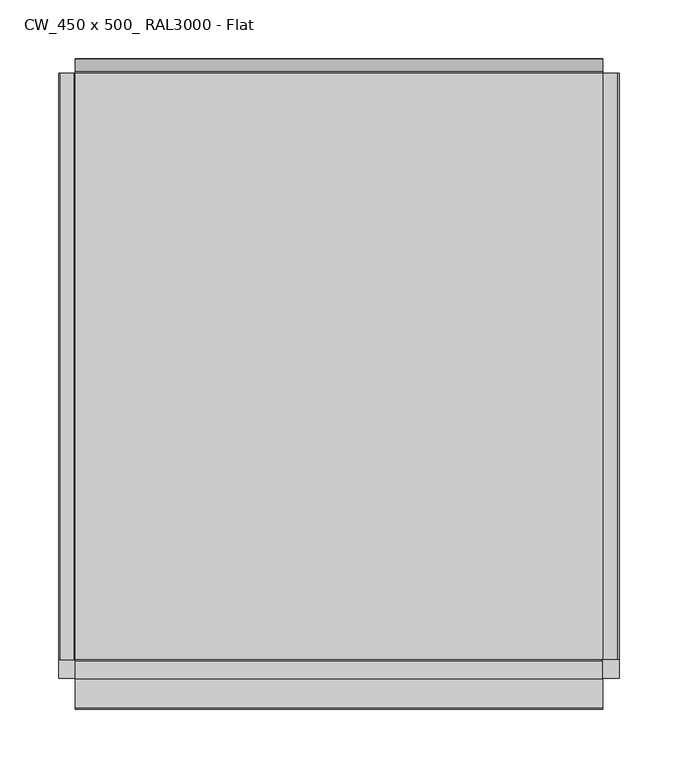
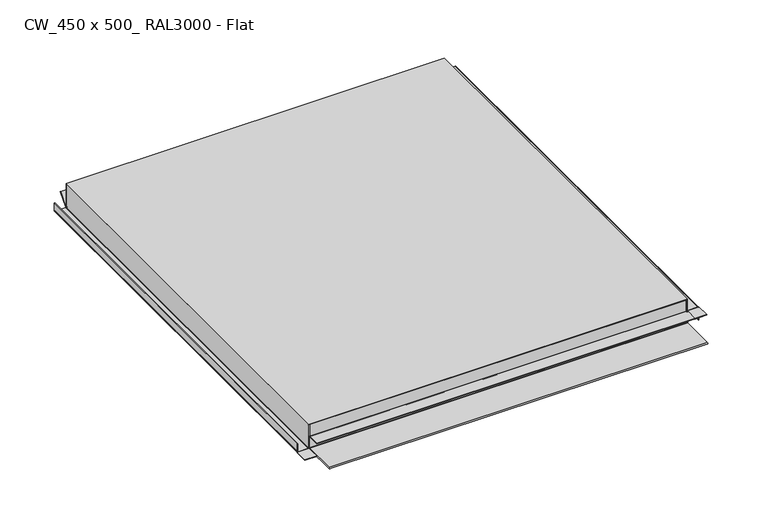
"""IFC4 building model written with IfcOpenShell, lengths in millimetres: proxy geometry, CW_450 x 500_ RAL3000 - Flat."""

from ifc_helpers import new_model, si_unit, frame, origin, origin_with_axes, place, context, project, spatial, polyline, circle_curve, ellipse_curve, outline, extrude, faceted_brep, source, transform, mapped, element, save
from ifc_brep_helpers import plane_surface, cylinder_surface, revolved_surface, advanced_brep


def cw_450_x_500_ral3000_flat_4dbd4297(model_context):
    return source(origin(), model_context, "Body", "SolidModel", [
        advanced_brep(
        [(-239.0, -250.0, 1.3), (-237.7, -250.0, 0.0), (-225.5, -250.0, 0.0), (-224.2, -250.0, 1.3), (-224.2, -250.0, 30.0), (-225.0, -250.0, 30.0), (-225.0, -250.0, 1.3), (-225.5, -250.0, 0.8), (-237.7, -250.0, 0.8), (-238.2, -250.0, 1.3), (-238.2, -250.0, 11.0), (-239.0, -250.0, 11.0), (-225.5, 250.0, 0.0), (-237.7, 250.0, 0.0), (-239.0, 250.0, 1.3), (-239.0, 250.0, 11.0), (-238.2, 250.0, 11.0), (-238.2, 250.0, 1.3), (-237.7, 250.0, 0.8), (-225.5, 250.0, 0.8), (-225.0, 250.0, 1.3), (-225.0, 250.0, 0.1), (-224.2, 249.2, 1.3), (-224.2, 249.2, 30.0), (-225.0, 249.2, 30.0), (-225.0, 249.2, 1.3)],
        [
            (0, 1, circle_curve(frame((-237.7, -250.0, 1.3), z_axis=(0.0, -1.0, 0.0), x_axis=(1.0, 0.0, 0.0)), 1.3)),
            (1, 2),
            (2, 3, circle_curve(frame((-225.5, -250.0, 1.3), z_axis=(0.0, -1.0, 0.0), x_axis=(1.0, 0.0, 0.0)), 1.3)),
            (3, 4),
            (4, 5),
            (5, 6),
            (6, 7, circle_curve(frame((-225.5, -250.0, 1.3), z_axis=(0.0, 1.0, 0.0), x_axis=(1.0, 0.0, 0.0)), 0.5)),
            (7, 8),
            (8, 9, circle_curve(frame((-237.7, -250.0, 1.3), z_axis=(0.0, 1.0, 0.0), x_axis=(1.0, 0.0, 0.0)), 0.5)),
            (9, 10),
            (10, 11),
            (11, 0),
            (12, 13),
            (13, 14, circle_curve(frame((-237.7, 250.0, 1.3), z_axis=(0.0, 1.0, 0.0), x_axis=(1.0, 0.0, 0.0)), 1.3)),
            (14, 15),
            (15, 16),
            (16, 17),
            (17, 18, circle_curve(frame((-237.7, 250.0, 1.3), z_axis=(0.0, -1.0, 0.0), x_axis=(1.0, 0.0, 0.0)), 0.5)),
            (18, 19),
            (19, 20, circle_curve(frame((-225.5, 250.0, 1.3), z_axis=(0.0, -1.0, 0.0), x_axis=(1.0, 0.0, 0.0)), 0.5)),
            (20, 21),
            (21, 12, circle_curve(frame((-225.5, 250.0, 1.3), z_axis=(0.0, 1.0, 0.0), x_axis=(1.0, 0.0, 0.0)), 1.3)),
            (1, 13),
            (12, 2),
            (21, 22, ellipse_curve(frame((-225.5, 250.5, 1.3), z_axis=(-0.7071067811865505, -0.7071067811865446, 0.0), x_axis=(0.7071067811865446, -0.7071067811865505, 0.0)), 1.8384776, 1.3)),
            (22, 3),
            (22, 23),
            (23, 4),
            (5, 24),
            (24, 25),
            (25, 6),
            (25, 20),
            (19, 7),
            (18, 8),
            (17, 9),
            (16, 10),
            (15, 11),
            (14, 0),
            (23, 24),
            (25, 21, circle_curve(frame((-225.0, 250.5, 1.3), z_axis=(1.0, 0.0, 0.0), x_axis=(0.0, 1.0, 0.0)), 1.3)),
            (25, 22),
        ],
        [
            plane_surface(frame((-236.4, -250.0, 1.3), z_axis=(0.0, -1.0, 0.0), x_axis=(0.0, 0.0, -1.0))),
            plane_surface(frame((-236.4, 250.0, 1.3), z_axis=(0.0, 1.0, 0.0), x_axis=(0.0, 0.0, 1.0))),
            plane_surface(frame((-225.5, -250.0, 0.0), z_axis=(0.0, 0.0, -1.0), x_axis=(0.0, 1.0, 0.0))),
            cylinder_surface(frame((-225.5, 250.0, 1.3), z_axis=(0.0, -1.0, 0.0), x_axis=(1.0, 0.0, 0.0)), 1.3),
            plane_surface(frame((-224.2, -250.0, 30.0), z_axis=(1.0, 0.0, 0.0), x_axis=(0.0, 1.0, 0.0))),
            plane_surface(frame((-225.0, -250.0, 1.3), z_axis=(-1.0, 0.0, 0.0), x_axis=(0.0, 1.0, 0.0))),
            revolved_surface(polyline([(-225.0, 250.0, 1.3), (-225.0, -250.0, 1.3)]), (-225.5, 250.0, 1.3), (0.0, 1.0, 0.0)),
            plane_surface(frame((-237.7, -250.0, 0.8), z_axis=(0.0, 0.0, 1.0), x_axis=(0.0, 1.0, 0.0))),
            revolved_surface(polyline([(-237.2, 250.0, 1.3), (-237.2, -250.0, 1.3)]), (-237.7, 250.0, 1.3), (0.0, 1.0, 0.0)),
            plane_surface(frame((-238.2, -250.0, 11.0), z_axis=(1.0, 0.0, 0.0), x_axis=(0.0, 1.0, 0.0))),
            plane_surface(frame((-239.0, -250.0, 11.0), z_axis=(0.0, 0.0, 1.0), x_axis=(0.0, 1.0, 0.0))),
            plane_surface(frame((-239.0, -250.0, 1.3), z_axis=(-1.0, 0.0, 0.0), x_axis=(0.0, 1.0, 0.0))),
            cylinder_surface(frame((-237.7, 250.0, 1.3), z_axis=(0.0, -1.0, 0.0), x_axis=(1.0, 0.0, 0.0)), 1.3),
            plane_surface(frame((-225.0, -250.0, 30.0), z_axis=(0.0, 0.0, 1.0), x_axis=(0.0, 1.0, 0.0))),
            plane_surface(frame((-225.0, 251.0, 1.3), z_axis=(1.0, 0.0, 0.0), x_axis=(0.0, 0.0, 1.0))),
            revolved_surface(polyline([(-226.79999997801957, 251.8, 1.3), (-224.2, 251.8, 1.3)]), (225.0, 250.5, 1.3), (-1.0, 0.0, 0.0)),
            plane_surface(frame((-225.0, 249.2, 1.3), z_axis=(0.0, 1.0, 0.0), x_axis=(1.0, 0.0, 0.0))),
        ],
        [
            (0, [[1, 2, 3, 4, 5, 6, 7, 8, 9, 10, 11, 12]]),
            (1, [[13, 14, 15, 16, 17, 18, 19, 20, 21, 22]]),
            (2, [[-2, 23, -13, 24]]),
            (3, [[-3, -24, -22, 25, 26]]),
            (4, [[-4, -26, 27, 28]]),
            (5, [[-6, 29, 30, 31]]),
            (6, [[-7, -31, 32, -20, 33]]),
            (7, [[-8, -33, -19, 34]]),
            (8, [[-9, -34, -18, 35]]),
            (9, [[-10, -35, -17, 36]]),
            (10, [[-11, -36, -16, 37]]),
            (11, [[-12, -37, -15, 38]]),
            (12, [[-1, -38, -14, -23]]),
            (13, [[-5, -28, 39, -29]]),
            (14, [[40, -21, -32]]),
            (15, [[-40, 41, -25]]),
            (16, [[-41, -30, -39, -27]]),
        ],
    ),
        extrude(outline(polyline([(-239.0, -266.0), (-239.0, -250.0), (-224.2, -250.0), (-224.2, -266.0), (-239.0, -266.0)])), origin_with_axes(), (0.0, 0.0, 1.0), 0.8),
        advanced_brep(
        [(225.5, -250.0, 15.56875), (237.7, -250.0, 15.56875), (238.2, -250.0, 15.06875), (238.2, -250.0, 0.0), (239.0, -250.0, 0.0), (239.0, -250.0, 15.06875), (237.7, -250.0, 16.36875), (225.5, -250.0, 16.36875), (225.0, -250.0, 16.86875), (225.0, -250.0, 15.66875), (225.0, 250.0, 16.86875), (225.5, 250.0, 16.36875), (237.7, 250.0, 16.36875), (239.0, 250.0, 15.06875), (239.0, 250.0, 0.0), (238.2, 250.0, 0.0), (238.2, 250.0, 15.06875), (237.7, 250.0, 15.56875), (225.5, 250.0, 15.56875), (225.0, 250.0, 15.66875), (224.2, 249.2, 30.0), (224.2, 249.2, 16.86875), (224.2, -249.2, 16.86875), (224.2, -249.2, 30.0), (225.0, -249.2, 15.66875), (225.0, 249.2, 15.66875), (225.0, 249.2, 16.86875), (225.0, -249.2, 16.86875), (225.0, 249.2, 30.0), (225.0, -249.2, 30.0)],
        [
            (0, 1),
            (1, 2, circle_curve(frame((237.7, -250.0, 15.06875), z_axis=(0.0, 1.0, 0.0), x_axis=(-1.0, 0.0, 0.0)), 0.5)),
            (2, 3),
            (3, 4),
            (4, 5),
            (5, 6, circle_curve(frame((237.7, -250.0, 15.06875), z_axis=(0.0, -1.0, 0.0), x_axis=(-1.0, 0.0, 0.0)), 1.3)),
            (6, 7),
            (7, 8, circle_curve(frame((225.5, -250.0, 16.86875), z_axis=(0.0, 1.0, 0.0), x_axis=(-1.0, 0.0, 0.0)), 0.5)),
            (8, 9),
            (9, 0, circle_curve(frame((225.5, -250.0, 16.86875), z_axis=(0.0, -1.0, 0.0), x_axis=(-1.0, 0.0, 0.0)), 1.3)),
            (10, 11, circle_curve(frame((225.5, 250.0, 16.86875), z_axis=(0.0, -1.0, 0.0), x_axis=(-1.0, 0.0, 0.0)), 0.5)),
            (11, 12),
            (12, 13, circle_curve(frame((237.7, 250.0, 15.06875), z_axis=(0.0, 1.0, 0.0), x_axis=(-1.0, 0.0, 0.0)), 1.3)),
            (13, 14),
            (14, 15),
            (15, 16),
            (16, 17, circle_curve(frame((237.7, 250.0, 15.06875), z_axis=(0.0, -1.0, 0.0), x_axis=(-1.0, 0.0, 0.0)), 0.5)),
            (17, 18),
            (18, 19, circle_curve(frame((225.5, 250.0, 16.86875), z_axis=(0.0, 1.0, 0.0), x_axis=(-1.0, 0.0, 0.0)), 1.3)),
            (19, 10),
            (20, 21),
            (21, 22),
            (22, 23),
            (23, 20),
            (18, 0),
            (9, 24),
            (24, 22, circle_curve(frame((225.5, -249.2, 16.86875), z_axis=(0.0, 1.0, 0.0), x_axis=(-1.0, 0.0, 0.0)), 1.3)),
            (21, 25, circle_curve(frame((225.5, 249.2, 16.86875), z_axis=(0.0, -1.0, 0.0), x_axis=(-1.0, 0.0, 0.0)), 1.3)),
            (25, 19),
            (17, 1),
            (16, 2),
            (15, 3),
            (14, 4),
            (13, 5),
            (12, 6),
            (11, 7),
            (10, 26),
            (26, 27),
            (27, 8),
            (26, 28),
            (28, 29),
            (29, 27),
            (28, 20),
            (23, 29),
            (25, 26),
            (27, 24),
        ],
        [
            plane_surface(frame((224.2, -250.0, 16.86875), z_axis=(0.0, -1.0, 0.0), x_axis=(0.0, 0.0, 1.0))),
            plane_surface(frame((224.2, 250.0, 16.86875), z_axis=(0.0, 1.0, 0.0), x_axis=(0.0, 0.0, -1.0))),
            plane_surface(frame((224.2, -250.0, 16.86875), z_axis=(-1.0, 0.0, 0.0), x_axis=(0.0, 1.0, 0.0))),
            cylinder_surface(frame((225.5, 250.0, 16.86875), z_axis=(0.0, -1.0, 0.0), x_axis=(-1.0, 0.0, 0.0)), 1.3),
            plane_surface(frame((237.7, -250.0, 15.56875), z_axis=(0.0, 0.0, -1.0), x_axis=(0.0, 1.0, 0.0))),
            revolved_surface(polyline([(237.2, 250.0, 15.06875), (237.2, -250.0, 15.06875)]), (237.7, 250.0, 15.06875), (0.0, 1.0, 0.0)),
            plane_surface(frame((238.2, -250.0, 0.0), z_axis=(-1.0, 0.0, 0.0), x_axis=(0.0, 1.0, 0.0))),
            plane_surface(frame((239.0, -250.0, 0.0), z_axis=(0.0, 0.0, -1.0), x_axis=(0.0, 1.0, 0.0))),
            plane_surface(frame((239.0, -250.0, 15.06875), z_axis=(1.0, 0.0, 0.0), x_axis=(0.0, 1.0, 0.0))),
            cylinder_surface(frame((237.7, 250.0, 15.06875), z_axis=(0.0, -1.0, 0.0), x_axis=(-1.0, 0.0, 0.0)), 1.3),
            plane_surface(frame((225.5, -250.0, 16.36875), z_axis=(0.0, 0.0, 1.0), x_axis=(0.0, 1.0, 0.0))),
            revolved_surface(polyline([(225.0, 250.0, 16.86875), (225.0, -250.0, 16.86875)]), (225.5, 250.0, 16.86875), (0.0, 1.0, 0.0)),
            plane_surface(frame((225.0, -250.0, 30.0), z_axis=(1.0, 0.0, 0.0), x_axis=(0.0, 1.0, 0.0))),
            plane_surface(frame((224.2, -250.0, 30.0), z_axis=(0.0, 0.0, 1.0), x_axis=(0.0, 1.0, 0.0))),
            plane_surface(frame((225.0, 251.0, 1.3), z_axis=(-1.0, 0.0, 0.0), x_axis=(0.0, 0.0, -1.0))),
            plane_surface(frame((-225.0, 249.2, 1.3), z_axis=(0.0, 1.0, 0.0), x_axis=(1.0, 0.0, 0.0))),
            plane_surface(frame((225.0, -250.5, 0.0), z_axis=(-1.0, 0.0, 0.0), x_axis=(0.0, 1.0, 0.0))),
            plane_surface(frame((-225.0, -249.2, 30.0), z_axis=(0.0, -1.0, 0.0), x_axis=(1.0, 0.0, 0.0))),
        ],
        [
            (0, [[1, 2, 3, 4, 5, 6, 7, 8, 9, 10]]),
            (1, [[11, 12, 13, 14, 15, 16, 17, 18, 19, 20]]),
            (2, [[21, 22, 23, 24]]),
            (3, [[25, -10, 26, 27, -22, 28, 29, -19]]),
            (4, [[-1, -25, -18, 30]]),
            (5, [[-2, -30, -17, 31]]),
            (6, [[-3, -31, -16, 32]]),
            (7, [[-4, -32, -15, 33]]),
            (8, [[-5, -33, -14, 34]]),
            (9, [[-6, -34, -13, 35]]),
            (10, [[-7, -35, -12, 36]]),
            (11, [[-8, -36, -11, 37, 38, 39]]),
            (12, [[40, 41, 42, -38]]),
            (13, [[43, -24, 44, -41]]),
            (14, [[45, -37, -20, -29]]),
            (15, [[-45, -28, -21, -43, -40]]),
            (16, [[46, -26, -9, -39]]),
            (17, [[-46, -42, -44, -23, -27]]),
        ],
    ),
        advanced_brep(
        [(225.0, -251.0793372, 15.56875), (225.0, -251.55, 15.9), (225.0, -266.0, 15.9), (225.0, -266.0, 16.36875), (225.0, -250.6830955, 16.36875), (225.0, -250.2609991, 15.56875), (239.0, -266.0, 15.56875), (239.0, -266.0, 16.36875), (224.2, -266.0, 15.9), (224.2, -266.0, 15.56875), (224.2, -250.0, 15.56875), (224.2, -250.0, 16.36875), (225.0, -250.0, 16.36875), (239.0, -250.0, 16.36875), (239.0, -250.0, 15.56875), (225.0, -250.0, 15.56875), (224.2, -250.6830955, 16.36875), (224.2, -251.0793372, 15.56875), (224.2, -250.2609991, 15.56875), (224.2, -251.55, 15.9)],
        [
            (0, 1, circle_curve(frame((225.0, -251.55, 15.4), z_axis=(1.0, 0.0, 0.0), x_axis=(0.0, 1.0, 0.0)), 0.5)),
            (1, 2),
            (2, 3),
            (3, 4),
            (4, 5, circle_curve(frame((225.0, -251.55, 15.4), z_axis=(-1.0, 0.0, 0.0), x_axis=(0.0, 1.0, 0.0)), 1.3)),
            (5, 0),
            (6, 7),
            (7, 3),
            (2, 8),
            (8, 9),
            (9, 6),
            (10, 11),
            (11, 12),
            (12, 13),
            (13, 14),
            (14, 15),
            (15, 10),
            (7, 13),
            (11, 16),
            (16, 4),
            (9, 17),
            (17, 0),
            (5, 18),
            (18, 10),
            (14, 6),
            (8, 19),
            (19, 17, circle_curve(frame((224.2, -251.55, 15.4), z_axis=(-1.0, 0.0, 0.0), x_axis=(0.0, 1.0, 0.0)), 0.5)),
            (19, 1),
            (16, 18, circle_curve(frame((224.2, -251.55, 15.4), z_axis=(-1.0, 0.0, 0.0), x_axis=(0.0, 1.0, 0.0)), 1.3)),
        ],
        [
            plane_surface(frame((225.0, -250.5, 0.0), z_axis=(-1.0, 0.0, 0.0), x_axis=(0.0, 1.0, 0.0))),
            plane_surface(frame((224.2, -266.0, 15.56875), z_axis=(0.0, -1.0, 0.0), x_axis=(-1.0, 0.0, 0.0))),
            plane_surface(frame((224.2, -250.0, 15.56875), z_axis=(0.0, 1.0, 0.0), x_axis=(1.0, 0.0, 0.0))),
            plane_surface(frame((224.2, -266.0, 16.36875), z_axis=(0.0, 0.0, 1.0), x_axis=(0.0, 1.0, 0.0))),
            plane_surface(frame((239.0, -266.0, 15.56875), z_axis=(0.0, 0.0, -1.0), x_axis=(0.0, 1.0, 0.0))),
            plane_surface(frame((224.2, -266.0, 15.56875), z_axis=(-1.0, 0.0, -1.0019693408305913e-12), x_axis=(0.0, 1.0, 0.0))),
            plane_surface(frame((239.0, -266.0, 16.36875), z_axis=(1.0, 0.0, 0.0), x_axis=(0.0, 1.0, 0.0))),
            cylinder_surface(frame((225.0, -251.55, 15.4), z_axis=(1.0, 0.0, 0.0), x_axis=(0.0, 1.0, 0.0)), 0.5),
            plane_surface(frame((-225.0, -251.55, 15.9), z_axis=(0.0, 0.0, 1.0), x_axis=(1.0, 0.0, 0.0))),
            revolved_surface(polyline([(224.2, -250.25, 15.4), (225.0, -250.25, 15.4)]), (225.0, -251.55, 15.4), (-1.0, 0.0, 0.0)),
        ],
        [
            (0, [[1, 2, 3, 4, 5, 6]]),
            (1, [[7, 8, -3, 9, 10, 11]]),
            (2, [[12, 13, 14, 15, 16, 17]]),
            (3, [[18, -14, -13, 19, 20, -4, -8]]),
            (4, [[-11, 21, 22, -6, 23, 24, -17, -16, 25]]),
            (5, [[-10, 26, 27, -21]]),
            (6, [[-7, -25, -15, -18]]),
            (7, [[-1, -22, -27, 28]]),
            (8, [[-2, -28, -26, -9]]),
            (9, [[-5, -20, 29, -23]]),
            (5, [[-12, -24, -29, -19]]),
        ],
    ),
        advanced_brep(
        [(-225.0, -250.5, 0.0), (-225.0, -291.65, 0.0), (-225.0, -291.65, 1.7), (-225.0, -251.55, 1.7), (-225.0, -251.05, 2.2), (-225.0, -251.05, 15.4), (-225.0, -251.55, 15.9), (-225.0, -266.25, 15.9), (-225.0, -266.25, 16.7), (-225.0, -251.55, 16.7), (-225.0, -250.25, 15.4), (-225.0, -250.25, 2.2), (-225.0, -251.55, 0.9), (-225.0, -291.65, 0.9), (-225.0, -250.5, 0.8), (-225.0, -250.0, 1.3), (-225.0, -250.0, 30.0), (-225.0, -249.2, 30.0), (-225.0, -249.2, 1.3), (225.0, -250.5, 0.0), (225.0, -249.2, 1.3), (225.0, -249.2, 15.66875), (225.0, -249.2, 16.86875), (225.0, -249.2, 30.0), (225.0, -250.0, 30.0), (225.0, -250.0, 16.86875), (225.0, -250.0, 15.66875), (225.0, -250.0, 1.3), (225.0, -250.5, 0.8), (225.0, -291.65, 0.9), (225.0, -251.55, 0.9), (225.0, -250.25, 2.2), (225.0, -250.25, 15.4), (225.0, -250.2613292, 15.5701671), (225.0, -250.682858, 16.3684525), (225.0, -251.55, 16.7), (225.0, -266.25, 16.7), (225.0, -266.25, 15.9), (225.0, -266.0, 15.9), (225.0, -251.55, 15.9), (225.0, -251.0793351, 15.5686233), (225.0, -251.05, 15.4), (225.0, -251.05, 2.2), (225.0, -251.55, 1.7), (225.0, -291.65, 1.7), (225.0, -291.65, 0.0), (224.2, -249.2, 30.0)],
        [
            (0, 1),
            (1, 2, circle_curve(frame((-225.0, -291.65, 0.85), z_axis=(-1.0, 0.0, 0.0), x_axis=(0.0, 1.0, 0.0)), 0.85)),
            (2, 3),
            (3, 4, circle_curve(frame((-225.0, -251.55, 2.2), z_axis=(1.0, 0.0, 0.0), x_axis=(0.0, 1.0, 0.0)), 0.5)),
            (4, 5),
            (5, 6, circle_curve(frame((-225.0, -251.55, 15.4), z_axis=(1.0, 0.0, 0.0), x_axis=(0.0, 1.0, 0.0)), 0.5)),
            (6, 7),
            (7, 8),
            (8, 9),
            (9, 10, circle_curve(frame((-225.0, -251.55, 15.4), z_axis=(-1.0, 0.0, 0.0), x_axis=(0.0, 1.0, 0.0)), 1.3)),
            (10, 11),
            (11, 12, circle_curve(frame((-225.0, -251.55, 2.2), z_axis=(-1.0, 0.0, 0.0), x_axis=(0.0, 1.0, 0.0)), 1.3)),
            (12, 13),
            (13, 14),
            (14, 15, circle_curve(frame((-225.0, -250.5, 1.3), z_axis=(1.0, 0.0, 0.0), x_axis=(0.0, 1.0, 0.0)), 0.5)),
            (15, 16),
            (16, 17),
            (17, 18),
            (18, 0, circle_curve(frame((-225.0, -250.5, 1.3), z_axis=(-1.0, 0.0, 0.0), x_axis=(0.0, 1.0, 0.0)), 1.3)),
            (19, 20, circle_curve(frame((225.0, -250.5, 1.3), z_axis=(1.0, 0.0, 0.0), x_axis=(0.0, 1.0, 0.0)), 1.3)),
            (20, 21),
            (21, 22),
            (22, 23),
            (23, 24),
            (24, 25),
            (25, 26),
            (26, 27),
            (27, 28, circle_curve(frame((225.0, -250.5, 1.3), z_axis=(-1.0, 0.0, 0.0), x_axis=(0.0, 1.0, 0.0)), 0.5)),
            (28, 29),
            (29, 30),
            (30, 31, circle_curve(frame((225.0, -251.55, 2.2), z_axis=(1.0, 0.0, 0.0), x_axis=(0.0, 1.0, 0.0)), 1.3)),
            (31, 32),
            (32, 33, circle_curve(frame((225.0, -251.55, 15.4), z_axis=(1.0, 0.0, 0.0), x_axis=(0.0, 1.0, 0.0)), 1.3)),
            (33, 34, circle_curve(frame((225.0, -251.55, 15.4), z_axis=(1.0, 0.0, 0.0), x_axis=(0.0, 1.0, 0.0)), 1.2998574)),
            (34, 35, circle_curve(frame((225.0, -251.55, 15.4), z_axis=(1.0, 0.0, 0.0), x_axis=(0.0, 1.0, 0.0)), 1.2999367)),
            (35, 36),
            (36, 37),
            (37, 38),
            (38, 39),
            (39, 40, circle_curve(frame((225.0, -251.55, 15.4), z_axis=(-1.0, 0.0, 0.0), x_axis=(0.0, 1.0, 0.0)), 0.5)),
            (40, 41, circle_curve(frame((225.0, -251.55, 15.4), z_axis=(-1.0, 0.0, 0.0), x_axis=(0.0, 1.0, 0.0)), 0.4999593)),
            (41, 42),
            (42, 43, circle_curve(frame((225.0, -251.55, 2.2), z_axis=(-1.0, 0.0, 0.0), x_axis=(0.0, 1.0, 0.0)), 0.5)),
            (43, 44),
            (44, 45, circle_curve(frame((225.0, -291.65, 0.85), z_axis=(1.0, 0.0, 0.0), x_axis=(0.0, 1.0, 0.0)), 0.85)),
            (45, 19),
            (17, 46),
            (46, 23),
            (20, 18),
            (19, 0),
            (45, 1),
            (44, 2),
            (43, 3),
            (42, 4),
            (41, 5),
            (39, 6),
            (37, 7),
            (36, 8),
            (35, 9),
            (32, 10),
            (31, 11),
            (30, 12),
            (29, 13),
            (28, 14),
            (27, 15),
            (24, 16),
        ],
        [
            plane_surface(frame((-225.0, -250.5, 0.0), z_axis=(-1.0, 0.0, 0.0), x_axis=(0.0, -1.0, 0.0))),
            plane_surface(frame((225.0, -250.5, 0.0), z_axis=(1.0, 0.0, 0.0), x_axis=(0.0, 1.0, 0.0))),
            plane_surface(frame((-225.0, -249.2, 30.0), z_axis=(0.0, 1.0, 0.0), x_axis=(1.0, 0.0, 0.0))),
            cylinder_surface(frame((225.0, -250.5, 1.3), z_axis=(-1.0, 0.0, 0.0), x_axis=(0.0, 1.0, 0.0)), 1.3),
            plane_surface(frame((-225.0, -250.5, 0.0), z_axis=(0.0, 0.0, -1.0), x_axis=(1.0, 0.0, 0.0))),
            cylinder_surface(frame((225.0, -291.65, 0.85), z_axis=(-1.0, 0.0, 0.0), x_axis=(0.0, 1.0, 0.0)), 0.85),
            plane_surface(frame((-225.0, -291.65, 1.7), z_axis=(0.0, 0.0, 1.0), x_axis=(1.0, 0.0, 0.0))),
            revolved_surface(polyline([(225.0, -251.05, 2.2), (-225.0, -251.05, 2.2)]), (225.0, -251.55, 2.2), (1.0, 0.0, 0.0)),
            plane_surface(frame((-225.0, -251.05, 2.2), z_axis=(0.0, -1.0, 0.0), x_axis=(1.0, 0.0, 0.0))),
            revolved_surface(polyline([(225.0, -251.05, 15.4), (-225.0, -251.05, 15.4)]), (225.0, -251.55, 15.4), (1.0, 0.0, 0.0)),
            plane_surface(frame((-225.0, -251.55, 15.9), z_axis=(0.0, 0.0, -1.0), x_axis=(1.0, 0.0, 0.0))),
            plane_surface(frame((-225.0, -266.25, 15.9), z_axis=(0.0, -1.0, 0.0), x_axis=(1.0, 0.0, 0.0))),
            plane_surface(frame((-225.0, -266.25, 16.7), z_axis=(0.0, 0.0, 1.0), x_axis=(1.0, 0.0, 0.0))),
            cylinder_surface(frame((225.0, -251.55, 15.4), z_axis=(-1.0, 0.0, 0.0), x_axis=(0.0, 1.0, 0.0)), 1.3),
            plane_surface(frame((-225.0, -250.25, 15.4), z_axis=(0.0, 1.0, 0.0), x_axis=(1.0, 0.0, 0.0))),
            cylinder_surface(frame((225.0, -251.55, 2.2), z_axis=(-1.0, 0.0, 0.0), x_axis=(0.0, 1.0, 0.0)), 1.3),
            plane_surface(frame((-225.0, -251.55, 0.9), z_axis=(0.0, 0.0, -1.0), x_axis=(1.0, 0.0, 0.0))),
            plane_surface(frame((-225.0, -291.65, 0.9), z_axis=(0.0, 0.0024301264818050315, 0.9999970472382819), x_axis=(1.0, 0.0, 0.0))),
            revolved_surface(polyline([(225.0, -250.0, 1.3), (-225.0, -250.0, 1.3)]), (225.0, -250.5, 1.3), (1.0, 0.0, 0.0)),
            plane_surface(frame((-225.0, -250.0, 1.3), z_axis=(0.0, -1.0, 0.0), x_axis=(1.0, 0.0, 0.0))),
            plane_surface(frame((-225.0, -250.0, 30.0), z_axis=(0.0, 0.0, 1.0), x_axis=(1.0, 0.0, 0.0))),
        ],
        [
            (0, [[1, 2, 3, 4, 5, 6, 7, 8, 9, 10, 11, 12, 13, 14, 15, 16, 17, 18, 19]]),
            (1, [[20, 21, 22, 23, 24, 25, 26, 27, 28, 29, 30, 31, 32, 33, 34, 35, 36, 37, 38, 39, 40, 41, 42, 43, 44, 45, 46]]),
            (2, [[-18, 47, 48, -23, -22, -21, 49]]),
            (3, [[-19, -49, -20, 50]]),
            (4, [[-1, -50, -46, 51]]),
            (5, [[-2, -51, -45, 52]]),
            (6, [[-3, -52, -44, 53]]),
            (7, [[-4, -53, -43, 54]]),
            (8, [[-5, -54, -42, 55]]),
            (9, [[-6, -55, -41, -40, 56]]),
            (10, [[-7, -56, -39, -38, 57]]),
            (11, [[-8, -57, -37, 58]]),
            (12, [[-9, -58, -36, 59]]),
            (13, [[-10, -59, -35, -34, -33, 60]]),
            (14, [[-11, -60, -32, 61]]),
            (15, [[-12, -61, -31, 62]]),
            (16, [[-13, -62, -30, 63]]),
            (17, [[-14, -63, -29, 64]]),
            (18, [[-15, -64, -28, 65]]),
            (19, [[-16, -65, -27, -26, -25, 66]]),
            (20, [[-17, -66, -24, -48, -47]]),
        ],
    ),
        advanced_brep(
        [(-225.0, 250.0, 1.3), (-225.0, 250.8830222, 0.9786062), (-225.0, 261.6344557, 13.7916657), (-225.0, 262.2472913, 13.2774356), (-225.0, 251.4958578, 0.4643761), (-225.0, 250.0002938, 0.0999209), (-225.0, 249.2, 1.3), (-225.0, 249.2, 30.0), (-225.0, 250.0, 30.0), (225.0, 250.0, 1.3), (225.0, 250.0, 15.66875), (225.0, 250.0, 16.86875), (225.0, 250.0, 30.0), (225.0, 249.2, 30.0), (225.0, 249.2, 16.86875), (225.0, 249.2, 15.66875), (225.0, 249.2, 1.3), (225.0, 251.4958578, 0.4643761), (225.0, 262.2472913, 13.2774356), (225.0, 261.6344557, 13.7916657), (225.0, 250.8830222, 0.9786062), (224.2, 249.2, 30.0), (-224.2, 249.2, 30.0)],
        [
            (0, 1, circle_curve(frame((-225.0, 250.5, 1.3), z_axis=(1.0, 0.0, 0.0), x_axis=(0.0, 1.0, 0.0)), 0.5)),
            (1, 2),
            (2, 3),
            (3, 4),
            (4, 5, circle_curve(frame((-225.0, 250.5, 1.3), z_axis=(-1.0, 0.0, 0.0), x_axis=(0.0, 1.0, 0.0)), 1.3)),
            (5, 6, circle_curve(frame((-225.0, 250.5, 1.3), z_axis=(-1.0, 0.0, 0.0), x_axis=(0.0, 1.0, 0.0)), 1.2999601)),
            (6, 7),
            (7, 8),
            (8, 0),
            (9, 10),
            (10, 11),
            (11, 12),
            (12, 13),
            (13, 14),
            (14, 15),
            (15, 16),
            (16, 17, circle_curve(frame((225.0, 250.5, 1.3), z_axis=(1.0, 0.0, 0.0), x_axis=(0.0, 1.0, 0.0)), 1.3)),
            (17, 18),
            (18, 19),
            (19, 20),
            (20, 9, circle_curve(frame((225.0, 250.5, 1.3), z_axis=(-1.0, 0.0, 0.0), x_axis=(0.0, 1.0, 0.0)), 0.5)),
            (8, 12),
            (9, 0),
            (20, 1),
            (19, 2),
            (18, 3),
            (17, 4),
            (16, 6),
            (13, 21),
            (21, 22),
            (22, 7),
        ],
        [
            plane_surface(frame((-225.0, 251.0, 1.3), z_axis=(-1.0, 0.0, 0.0), x_axis=(0.0, 0.0, 1.0))),
            plane_surface(frame((225.0, 251.0, 1.3), z_axis=(1.0, 0.0, 0.0), x_axis=(0.0, 0.0, -1.0))),
            plane_surface(frame((-225.0, 250.0, 30.0), z_axis=(0.0, 1.0, 0.0), x_axis=(1.0, 0.0, 0.0))),
            revolved_surface(polyline([(225.0, 251.0, 1.3), (-225.0, 251.0, 1.3)]), (225.0, 250.5, 1.3), (1.0, 0.0, 0.0)),
            plane_surface(frame((-225.0, 250.8830222, 0.9786062), z_axis=(0.0, -0.7660444431199621, 0.6427876096853666), x_axis=(1.0, 0.0, 0.0))),
            plane_surface(frame((-225.0, 261.6344557, 13.7916657), z_axis=(0.0, 0.6427876096850358, 0.7660444431202397), x_axis=(1.0, 0.0, 0.0))),
            plane_surface(frame((-225.0, 262.2472913, 13.2774356), z_axis=(0.0, 0.7660444431199782, -0.6427876096853474), x_axis=(1.0, 0.0, 0.0))),
            cylinder_surface(frame((225.0, 250.5, 1.3), z_axis=(-1.0, 0.0, 0.0), x_axis=(0.0, 1.0, 0.0)), 1.3),
            plane_surface(frame((-225.0, 249.2, 1.3), z_axis=(0.0, -1.0, 0.0), x_axis=(1.0, 0.0, 0.0))),
            plane_surface(frame((-225.0, 249.2, 30.0), z_axis=(0.0, 0.0, 1.0), x_axis=(1.0, 0.0, 0.0))),
        ],
        [
            (0, [[1, 2, 3, 4, 5, 6, 7, 8, 9]]),
            (1, [[10, 11, 12, 13, 14, 15, 16, 17, 18, 19, 20, 21]]),
            (2, [[-9, 22, -12, -11, -10, 23]]),
            (3, [[-1, -23, -21, 24]]),
            (4, [[-2, -24, -20, 25]]),
            (5, [[-3, -25, -19, 26]]),
            (6, [[-4, -26, -18, 27]]),
            (7, [[-6, -5, -27, -17, 28]]),
            (8, [[-7, -28, -16, -15, -14, 29, 30, 31]]),
            (9, [[-8, -31, -30, -29, -13, -22]]),
        ],
    ),
        faceted_brep([(225.0, -250.0, 31.0), (225.0, 250.0, 31.0), (-225.0, 250.0, 31.0), (-225.0, -250.0, 31.0), (225.0, -250.0, 30.0), (-224.2, -250.0, 30.0), (-225.0, -250.0, 30.0), (-225.0, -249.2, 30.0), (-225.0, 249.2, 30.0), (-225.0, 250.0, 30.0), (225.0, 250.0, 30.0), (225.0, 249.2, 30.0), (225.0, -249.2, 30.0)], [[[0, 1, 2, 3]], [[4, 5, 6, 7, 8, 9, 10, 11, 12]], [[1, 0, 4, 12, 11, 10]], [[2, 1, 10, 9]], [[3, 2, 9, 8, 7, 6]], [[0, 3, 6, 5, 4]]]),
    ])


if __name__ == "__main__":
    model = new_model("IFC4")
    model_context = context("Model", 3, world=origin())
    ifc_project = project(units=[si_unit("LENGTHUNIT", "METRE", prefix="MILLI")], contexts=[model_context])
    site = spatial("IfcSite", under=ifc_project)
    building = spatial("IfcBuilding", under=site)
    placement = place(None, origin())
    cw_450_x_500_ral3000_flat_shape = cw_450_x_500_ral3000_flat_4dbd4297(model_context)
    element("IfcBuildingElementProxy", 1, Name="CW_450 x 500_ RAL3000 - Flat", ObjectType="CW_450 x 500_ RAL3000 - Flat", at=placement, inside=building, context=model_context, shape_type="MappedRepresentation", body=[
        mapped(cw_450_x_500_ral3000_flat_shape, transform((0.0, 0.0, 0.0), x_axis=(1.0, 0.0, 0.0), y_axis=(0.0, 1.0, 0.0), z_axis=(0.0, 0.0, 1.0))),
    ])
    save(model, "model.ifc")
